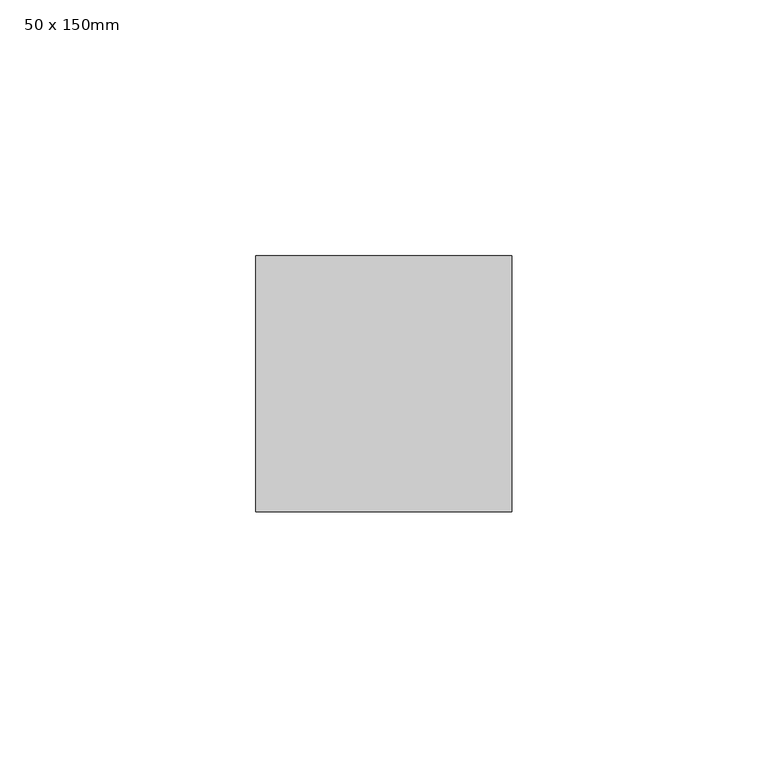
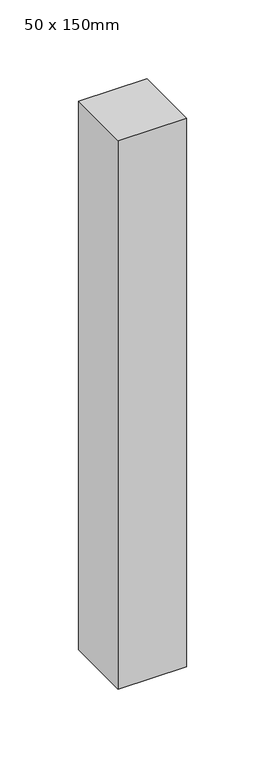
"""IFC4 building model written with IfcOpenShell, lengths in millimetres: member geometry, 50 x 150mm."""

from ifc_helpers import new_model, si_unit, frame, origin, place, context, project, spatial, polyline, outline, extrude, source, transform, mapped, element, save


def member_50_x_150mm_cc2dfa42(model_context):
    return source(origin(), model_context, "Body", "SweptSolid", [
        extrude(outline(polyline([(25.0, 25.0), (25.0, -25.0), (-25.0, -25.0), (-25.0, 25.0), (25.0, 25.0)])), frame((0.0, 0.0, -424.6447348), z_axis=(0.0, 0.0, 1.0), x_axis=(1.0, 0.0, 0.0)), (0.0, 0.0, 1.0), 424.6447348),
    ])


if __name__ == "__main__":
    model = new_model("IFC4")
    model_context = context("Model", 3, world=origin())
    ifc_project = project(units=[si_unit("LENGTHUNIT", "METRE", prefix="MILLI")], contexts=[model_context])
    site = spatial("IfcSite", under=ifc_project)
    building = spatial("IfcBuilding", under=site)
    placement = place(None, origin())
    member_50_x_150mm_shape = member_50_x_150mm_cc2dfa42(model_context)
    element("IfcMember", 1, ObjectType="50 x 150mm", at=placement, inside=building, context=model_context, shape_type="MappedRepresentation", body=[
        mapped(member_50_x_150mm_shape, transform((0.0, 0.0, 0.0), x_axis=(1.0, 0.0, 0.0), y_axis=(0.0, 1.0, 0.0), z_axis=(0.0, 0.0, 1.0))),
    ])
    save(model, "model.ifc")
